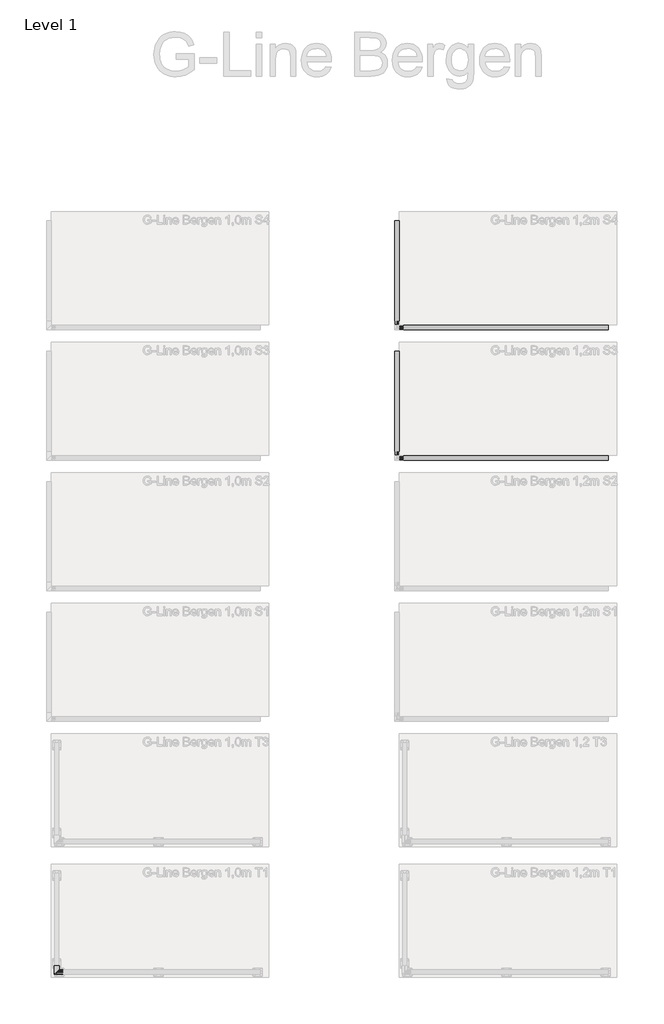
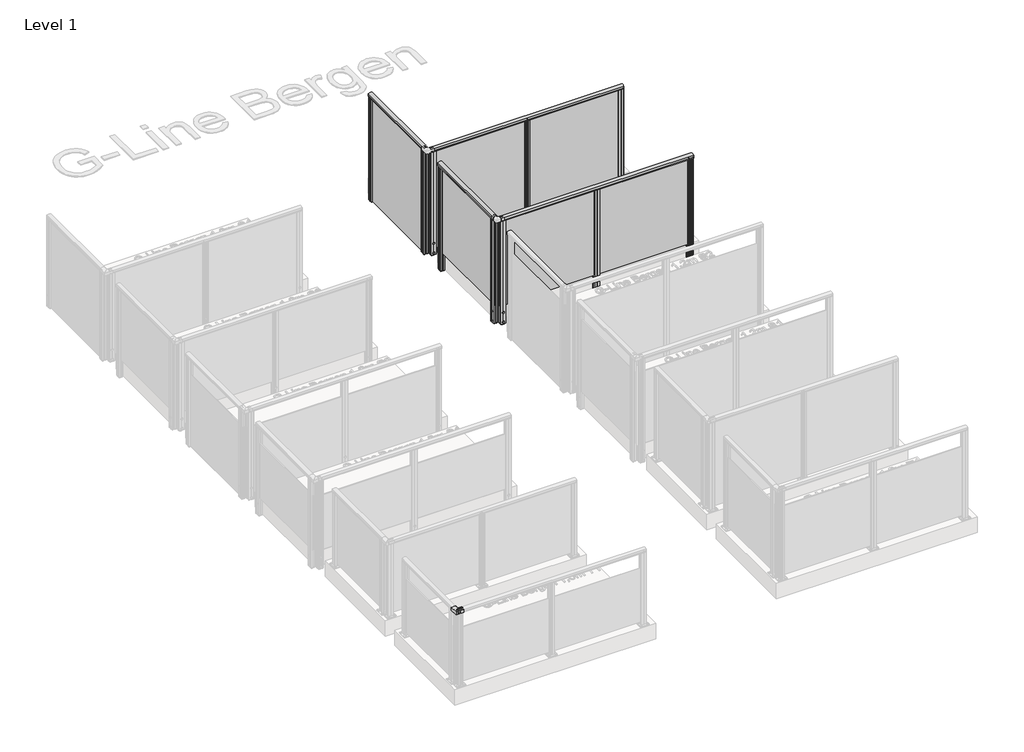
# One storey, part 8 of 14: 4 railings, 1 proxy.
"""IFC4 building model written with IfcOpenShell, lengths in millimetres."""

import ifcopenshell
import ifcopenshell.guid

model = None  # the IFC model being written
_history = None  # IfcOwnerHistory: only IFC2X3 demands one
_inside = {}  # id of a spatial element -> (the spatial element, [elements in it])
_under = {}  # id of a project, library or spatial element -> (it, [spatial elements below it])
_declared = {}  # id of a project -> (the project, [libraries it declares])
_typed = {}  # id of a type object -> (the type object, [elements of that type])
_made_of = {}  # id of a material, layer set ... -> (it, [elements and type objects made of it])


def new_model(schema):
    """Start an empty IFC model of exactly this schema.

    Asked for "IFC4X3", IfcOpenShell would pick the latest addendum, in which some entities
    have other attributes; the version numbers below select the first issue.
    IFC2X3 requires an IfcOwnerHistory on every rooted entity: one is made here for all.
    """
    global model, _history
    if schema == "IFC4X3":
        model = ifcopenshell.file(schema_version=(4, 3, 0, 0))
    else:
        model = ifcopenshell.file(schema=schema)
    _inside.clear()
    _under.clear()
    _declared.clear()
    _typed.clear()
    _made_of.clear()
    _history = None
    if model.schema == "IFC2X3":
        org = make("IfcOrganization", Name="unknown")
        user = make(
            "IfcPersonAndOrganization",
            ThePerson=make("IfcPerson", FamilyName="unknown"),
            TheOrganization=org,
        )
        app = make(
            "IfcApplication",
            ApplicationDeveloper=org,
            Version="unknown",
            ApplicationFullName="unknown",
            ApplicationIdentifier="unknown",
        )
        _history = make(
            "IfcOwnerHistory",
            OwningUser=user,
            OwningApplication=app,
            ChangeAction="ADDED",
            CreationDate=0,
        )
    return model


def make(cls, **values):
    """One entity of the class cls with the attributes given. An attribute that is None is left unset."""
    return model.create_entity(
        cls, **{name: value for name, value in values.items() if value is not None}
    )


def rooted(cls, **values):
    """An entity with a GlobalId (a new one), such as an element, a storey or a relation."""
    return make(cls, GlobalId=ifcopenshell.guid.new(), OwnerHistory=_history, **values)


def si_unit(unit_type, name, prefix=None):
    """IfcSIUnit, for example si_unit("LENGTHUNIT", "METRE", prefix="MILLI")."""
    return make("IfcSIUnit", UnitType=unit_type, Prefix=prefix, Name=name)


def assignment(units):
    """IfcUnitAssignment: the units of a project."""
    return None if units is None else make("IfcUnitAssignment", Units=units)


def point(xyz):
    """IfcCartesianPoint."""
    return None if xyz is None else make("IfcCartesianPoint", Coordinates=xyz)


def direction(xyz):
    """IfcDirection."""
    return None if xyz is None else make("IfcDirection", DirectionRatios=xyz)


def frame(location, z_axis=None, x_axis=None):
    """IfcAxis2Placement3D, a coordinate frame: its origin and axes. An axis left out is left unset."""
    return make(
        "IfcAxis2Placement3D",
        Location=point(location),
        Axis=direction(z_axis),
        RefDirection=direction(x_axis),
    )


def frame_2d(location, x_axis=None):
    """IfcAxis2Placement2D, a coordinate frame in the plane: its origin and x axis."""
    return make(
        "IfcAxis2Placement2D", Location=point(location), RefDirection=direction(x_axis)
    )


def origin():
    """The frame at (0, 0, 0) with its axes left unset."""
    return frame((0.0, 0.0, 0.0))


def place(relative_to, where):
    """IfcLocalPlacement: puts the frame where relative to a parent placement (None: the world)."""
    return make(
        "IfcLocalPlacement", PlacementRelTo=relative_to, RelativePlacement=where
    )


def context(
    kind, dimensions, precision=None, world=None, true_north=None, identifier=None
):
    """IfcGeometricRepresentationContext, for example the 3D "Model" context."""
    return make(
        "IfcGeometricRepresentationContext",
        ContextIdentifier=identifier,
        ContextType=kind,
        CoordinateSpaceDimension=dimensions,
        Precision=precision,
        WorldCoordinateSystem=world,
        TrueNorth=true_north,
    )


def project(units=None, contexts=None):
    """IfcProject with its units and contexts."""
    return rooted(
        "IfcProject",
        Name="project",
        RepresentationContexts=contexts,
        UnitsInContext=assignment(units),
    )


def spatial(cls, under=None, at=None, **own):
    """A site, building, storey or space (cls), placed at a placement, below another one or the project."""
    s = rooted(cls, ObjectPlacement=at, **own)
    if under is not None:
        _under.setdefault(under.id(), (under, []))[1].append(s)
    return s


def polyline(points):
    """IfcPolyline through the points."""
    return make("IfcPolyline", Points=[point(p) for p in points])


def circle_curve(where, radius):
    """IfcCircle in the frame where."""
    return make("IfcCircle", Position=where, Radius=radius)


def ellipse_curve(where, semi_axis1, semi_axis2):
    """IfcEllipse in the frame where."""
    return make(
        "IfcEllipse", Position=where, SemiAxis1=semi_axis1, SemiAxis2=semi_axis2
    )


def trimmed(basis, trim1, trim2, sense, master):
    """IfcTrimmedCurve: the piece of a basis curve between two trims."""
    return make(
        "IfcTrimmedCurve",
        BasisCurve=basis,
        Trim1=trim1,
        Trim2=trim2,
        SenseAgreement=sense,
        MasterRepresentation=master,
    )


def segment(curve, same_sense, transition):
    """IfcCompositeCurveSegment."""
    return make(
        "IfcCompositeCurveSegment",
        Transition=transition,
        SameSense=same_sense,
        ParentCurve=curve,
    )


def composite_curve(segments, self_intersect=None):
    """IfcCompositeCurve: segments joined end to end."""
    return make("IfcCompositeCurve", Segments=segments, SelfIntersect=self_intersect)


def outline(outer, holes=None, kind="AREA"):
    """IfcArbitraryClosedProfileDef: a profile drawn as a closed curve; with holes, ...WithVoids."""
    if holes is None:
        return make("IfcArbitraryClosedProfileDef", ProfileType=kind, OuterCurve=outer)
    return make(
        "IfcArbitraryProfileDefWithVoids",
        ProfileType=kind,
        OuterCurve=outer,
        InnerCurves=holes,
    )


def extrude(swept, where, along, depth):
    """IfcExtrudedAreaSolid: the profile swept, set in the frame where, extruded along a direction by depth."""
    return make(
        "IfcExtrudedAreaSolid",
        SweptArea=swept,
        Position=where,
        ExtrudedDirection=direction(along),
        Depth=depth,
    )


def shape(context_of_items, identifier, shape_type, items):
    """IfcShapeRepresentation: the items that make up one representation, for example the "Body"."""
    return make(
        "IfcShapeRepresentation",
        ContextOfItems=context_of_items,
        RepresentationIdentifier=identifier,
        RepresentationType=shape_type,
        Items=items,
    )


def source(mapping_origin, context_of_items, identifier, shape_type, items):
    """IfcRepresentationMap: a shape defined once, which mapped items show again and again."""
    return make(
        "IfcRepresentationMap",
        MappingOrigin=mapping_origin,
        MappedRepresentation=shape(context_of_items, identifier, shape_type, items),
    )


def transform(
    local_origin,
    x_axis=None,
    y_axis=None,
    z_axis=None,
    scale=None,
    scale2=None,
    scale3=None,
    uniform=True,
):
    """IfcCartesianTransformationOperator3D, or its non-uniform kind. x_axis, y_axis, z_axis: its Axis1, 2, 3."""
    if uniform:
        return make(
            "IfcCartesianTransformationOperator3D",
            Axis1=direction(x_axis),
            Axis2=direction(y_axis),
            LocalOrigin=point(local_origin),
            Scale=scale,
            Axis3=direction(z_axis),
        )
    return make(
        "IfcCartesianTransformationOperator3DnonUniform",
        Axis1=direction(x_axis),
        Axis2=direction(y_axis),
        LocalOrigin=point(local_origin),
        Scale=scale,
        Axis3=direction(z_axis),
        Scale2=scale2,
        Scale3=scale3,
    )


def mapped(mapping_source, mapping_target):
    """IfcMappedItem: shows the shape of a source again, moved by a transform."""
    return make(
        "IfcMappedItem", MappingSource=mapping_source, MappingTarget=mapping_target
    )


def made_of(thing, what):
    """Note that an element or type object is made of a material, layer set ...; save() writes the relation."""
    if what is not None:
        _made_of.setdefault(what.id(), (what, []))[1].append(thing)
    return thing


def element(
    cls,
    number,
    at=None,
    inside=None,
    cuts=None,
    type_object=None,
    material=None,
    context=None,
    identifier="Body",
    shape_type=None,
    held_by="IfcProductDefinitionShape",
    body=None,
    shapes=None,
    **own,
):
    """One element of the class cls, such as IfcWall. Its Tag is "e" and its number.

    at: its placement. inside: the storey or other place that contains it. cuts: it is an
    opening in that element (IfcRelVoidsElement). A single representation is given by context,
    identifier, shape_type and body (its items); several are given by shapes. held_by: the class
    of the entity that holds the representations. save() writes the other relations.
    """
    e = rooted(cls, Tag="e%d" % number, ObjectPlacement=at, **own)
    if body is not None:
        shapes = [shape(context, identifier, shape_type, body)]
    if shapes is not None:
        e.Representation = make(held_by, Representations=shapes)
    if inside is not None:
        _inside.setdefault(inside.id(), (inside, []))[1].append(e)
    if cuts is not None:
        rooted(
            "IfcRelVoidsElement", RelatingBuildingElement=cuts, RelatedOpeningElement=e
        )
    if type_object is not None:
        _typed.setdefault(type_object.id(), (type_object, []))[1].append(e)
    return made_of(e, material)


def aggregate(whole, parts):
    """IfcRelAggregates: a whole, such as a stair, and the parts it consists of."""
    return rooted("IfcRelAggregates", RelatingObject=whole, RelatedObjects=parts)


def save(model, path):
    """Write the relations noted so far, then the file.

    IfcRelAggregates (storeys below a building ...), IfcRelContainedInSpatialStructure (elements
    in a storey), IfcRelDefinesByType, IfcRelAssociatesMaterial and IfcRelDeclares: one each for
    every whole, place, type object, material and project.
    """
    for whole, parts in _under.values():
        aggregate(whole, parts)
    for where, things in _inside.values():
        rooted(
            "IfcRelContainedInSpatialStructure",
            RelatedElements=things,
            RelatingStructure=where,
        )
    for kind, things in _typed.values():
        rooted("IfcRelDefinesByType", RelatedObjects=things, RelatingType=kind)
    for what, things in _made_of.values():
        rooted("IfcRelAssociatesMaterial", RelatedObjects=things, RelatingMaterial=what)
    for by, libraries in _declared.values():
        rooted("IfcRelDeclares", RelatingContext=by, RelatedDefinitions=libraries)
    model.write(path)


def plane_surface(at):
    """IfcPlane: the flat surface through the origin of the frame at, square to its z axis."""
    return make("IfcPlane", Position=at)


def cylinder_surface(at, radius):
    """IfcCylindricalSurface: all points at the distance radius from the z axis of the frame at."""
    return make("IfcCylindricalSurface", Position=at, Radius=radius)


def revolved_surface(curve, axis_point, axis_direction):
    """IfcSurfaceOfRevolution: the curve turned about the line through axis_point along axis_direction."""
    return make(
        "IfcSurfaceOfRevolution",
        SweptCurve=make("IfcArbitraryOpenProfileDef", ProfileType="CURVE", Curve=curve),
        AxisPosition=make("IfcAxis1Placement", Location=point(axis_point), Axis=direction(axis_direction)),
    )


def advanced_brep(points, edges, surfaces, faces):
    """IfcAdvancedBrep: a solid bounded by faces that lie on surfaces and meet in shared edges.

    An edge is (start, end): straight between two places in points (the first is 0);
    or (start, end, curve); or (start, end, curve, False) where it runs against its curve.
    A face is (place in surfaces, loops), or (place, loops, False) where it looks against
    its surface's normal. A loop lists edges by number (the first is 1), with a minus sign
    where the edge is run from its end to its start. The first loop is the outer one.
    """
    corners = [point(p) for p in points]
    vertices = [make("IfcVertexPoint", VertexGeometry=c) for c in corners]
    made = []
    for start, end, *more in edges:
        made.append(
            make(
                "IfcEdgeCurve",
                EdgeStart=vertices[start],
                EdgeEnd=vertices[end],
                EdgeGeometry=more[0] if more else make("IfcPolyline", Points=[corners[start], corners[end]]),
                SameSense=more[1] if len(more) > 1 else True,
            )
        )
    hull = []
    for where, loops, *sense in faces:
        bounds = []
        for j, loop in enumerate(loops):
            ring = [make("IfcOrientedEdge", EdgeElement=made[abs(k) - 1], Orientation=k > 0) for k in loop]
            bounds.append(
                make(
                    "IfcFaceOuterBound" if j == 0 else "IfcFaceBound",
                    Bound=make("IfcEdgeLoop", EdgeList=ring),
                    Orientation=True,
                )
            )
        hull.append(make("IfcAdvancedFace", Bounds=bounds, FaceSurface=surfaces[where], SameSense=sense[0] if sense else True))
    return make("IfcAdvancedBrep", Outer=make("IfcClosedShell", CfsFaces=hull))


def generic_models_029e0633(model_context):
    return source(origin(), model_context, "Body", "AdvancedBrep", [
        advanced_brep(
        [(-26.7441608, 71.9513646, -5.1313999), (26.7547089, 71.9513646, -5.1421029), (26.7547089, 71.9513646, -42.9991934), (25.2598291, 71.9513646, -42.9991934), (25.2598291, 71.9513646, -5.8678927), (-25.2598291, 71.9513646, -5.8631127), (-25.2598291, 71.9513646, -42.9991934), (-26.7441608, 71.9513646, -42.9991934), (26.7547089, -26.754154, -5.1421029), (26.7547089, -26.754154, -42.9991934), (25.2598291, -25.2592742, -42.9991934), (25.2598291, -25.2592742, -5.8678927), (-25.2598291, 25.2603841, -5.8631127), (-25.2598291, 25.2603841, -42.9991934), (-26.7441608, 26.7447157, -42.9991934), (-26.7441608, 26.7447157, -5.1313999), (-71.964886, 26.7447157, -5.1313999), (-71.964886, 26.7447157, -42.9991934), (-71.964886, 25.2603841, -42.9991934), (-71.964886, 25.2603841, -5.8631127), (-71.964886, -25.2592742, -5.8678927), (-71.964886, -25.2592742, -42.9991934), (-71.964886, -26.754154, -42.9991934), (-71.964886, -26.754154, -5.1421029)],
        [
            (0, 1, circle_curve(frame((-0.0048689, 71.9513646, -55.8364469), z_axis=(0.0, 1.0, 0.0), x_axis=(1.0, 0.0, 0.0)), 57.3235687)),
            (1, 2),
            (2, 3),
            (3, 4),
            (4, 5, circle_curve(frame((-0.0048689, 71.9513646, -57.3235684), z_axis=(0.0, -1.0, 0.0), x_axis=(1.0, 0.0, 0.0)), 57.3235687)),
            (5, 6),
            (6, 7),
            (7, 0),
            (1, 8),
            (8, 9),
            (9, 2),
            (3, 10),
            (10, 11),
            (11, 4),
            (11, 12, ellipse_curve(frame((-0.0048689, 0.0054238, -57.3235684), z_axis=(-0.7071067811865475, -0.7071067811865475, 0.0), x_axis=(0.7071067811865474, -0.7071067811865476, 0.0)), 81.0677682, 57.3235687)),
            (12, 5),
            (12, 13),
            (13, 6),
            (7, 14),
            (14, 15),
            (15, 0),
            (16, 17),
            (17, 18),
            (18, 19),
            (19, 20, circle_curve(frame((-71.964886, 0.0054238, -57.3235684), z_axis=(1.0, 0.0, 0.0), x_axis=(0.0, -1.0, 0.0)), 57.3235687)),
            (20, 21),
            (21, 22),
            (22, 23),
            (23, 16, circle_curve(frame((-71.964886, 0.0054238, -55.8364469), z_axis=(-1.0, 0.0, 0.0), x_axis=(0.0, -1.0, 0.0)), 57.3235687)),
            (8, 23),
            (22, 9),
            (10, 21),
            (20, 11),
            (19, 12),
            (18, 13),
            (14, 17),
            (16, 15),
            (15, 8, ellipse_curve(frame((-0.0048689, 0.0054238, -55.8364469), z_axis=(0.7071067811865475, 0.7071067811865475, 0.0), x_axis=(-0.7071067811865474, 0.7071067811865476, 0.0)), 81.0677682, 57.3235687)),
        ],
        [
            plane_surface(frame((0.0, 71.9513646, 0.0), z_axis=(0.0, 1.0, 0.0), x_axis=(0.0, 0.0, 1.0))),
            plane_surface(frame((26.7547089, 71.9513646, -5.1421029), z_axis=(1.0, 0.0, 0.0), x_axis=(0.0, -1.0, 0.0))),
            plane_surface(frame((25.2598291, 71.9513646, -42.9991934), z_axis=(-1.0, 0.0, 0.0), x_axis=(0.0, -1.0, 0.0))),
            revolved_surface(polyline([(57.318699800000005, -57.318144829879174, -57.3235684), (57.318699800000005, 71.9513646, -57.3235684)]), (-0.0048689, 71.9513646, -57.3235684), (0.0, -1.0, 0.0)),
            plane_surface(frame((-25.2598291, 71.9513646, -5.8631127), z_axis=(1.0, 0.0, 0.0), x_axis=(0.0, -1.0, 0.0))),
            plane_surface(frame((-26.7441608, 71.9513646, -42.9991934), z_axis=(-1.0, 0.0, 0.0), x_axis=(0.0, -1.0, 0.0))),
            plane_surface(frame((-71.964886, 0.000555, 0.0), z_axis=(-1.0, 0.0, 0.0), x_axis=(0.0, 0.0, 1.0))),
            plane_surface(frame((26.7547089, -26.754154, -5.1421029), z_axis=(0.0, -1.0, 0.0), x_axis=(-1.0, 0.0, 0.0))),
            plane_surface(frame((25.2598291, -25.2592742, -42.9991934), z_axis=(0.0, 1.0, 0.0), x_axis=(-1.0, 0.0, 0.0))),
            revolved_surface(polyline([(-71.964886, -57.3181449, -57.3235684), (57.31869972987914, -57.3181449, -57.3235684)]), (0.0, 0.0054238, -57.3235684), (-1.0, 0.0, 0.0)),
            plane_surface(frame((-25.2598291, 25.2603841, -5.8631127), z_axis=(0.0, -1.0, 0.0), x_axis=(-1.0, 0.0, 0.0))),
            plane_surface(frame((-26.7441608, 26.7447157, -42.9991934), z_axis=(0.0, 1.0, 0.0), x_axis=(-1.0, 0.0, 0.0))),
            cylinder_surface(frame((-0.0048689, 71.9513646, -55.8364469), z_axis=(0.0, 1.0, 0.0), x_axis=(1.0, 0.0, 0.0)), 57.3235687),
            plane_surface(frame((26.7547089, 71.9513646, -42.9991934), z_axis=(0.0, 0.0, -1.0), x_axis=(0.0, -1.0, 0.0))),
            plane_surface(frame((-25.2598291, 71.9513646, -42.9991934), z_axis=(0.0, 0.0, -1.0), x_axis=(0.0, -1.0, 0.0))),
            cylinder_surface(frame((0.0, 0.0054238, -55.8364469), z_axis=(1.0, 0.0, 0.0), x_axis=(0.0, -1.0, 0.0)), 57.3235687),
        ],
        [
            (0, [[1, 2, 3, 4, 5, 6, 7, 8]]),
            (1, [[-2, 9, 10, 11]]),
            (2, [[-4, 12, 13, 14]]),
            (3, [[-5, -14, 15, 16]]),
            (4, [[-6, -16, 17, 18]]),
            (5, [[-8, 19, 20, 21]]),
            (6, [[22, 23, 24, 25, 26, 27, 28, 29]]),
            (7, [[-10, 30, -28, 31]]),
            (8, [[-13, 32, -26, 33]]),
            (9, [[-15, -33, -25, 34]]),
            (10, [[-17, -34, -24, 35]]),
            (11, [[-20, 36, -22, 37]]),
            (12, [[-1, -21, 38, -9]]),
            (13, [[-3, -11, -31, -27, -32, -12]]),
            (14, [[-7, -18, -35, -23, -36, -19]]),
            (15, [[-38, -37, -29, -30]]),
        ],
    ),
    ])


model = new_model("IFC4")

# Units and contexts
model_context = context("Model", 3, world=origin())
ifc_project = project(units=[si_unit("LENGTHUNIT", "METRE", prefix="MILLI")], contexts=[model_context])

# Site, building, storey
site = spatial("IfcSite", under=ifc_project)
building = spatial("IfcBuilding", under=site)
storey = spatial("IfcBuildingStorey", under=building, Name="Level 1", Elevation=0.0)

# Proxy
placement = place(None, origin())
generic_models_shape = generic_models_029e0633(model_context)
element("IfcBuildingElementProxy", 1, Name="Generic Models", at=placement, inside=storey, context=model_context, shape_type="MappedRepresentation", body=[
    mapped(generic_models_shape, transform((-1797.6545604, -4458.2678672, 1000.0), x_axis=(0.0, -1.0, 0.0), y_axis=(1.0, 0.0, 0.0), z_axis=(0.0, 0.0, 1.0))),
])

# Railings
element("IfcRailing", 2, at=placement, inside=storey, context=model_context, shape_type="SweptSolid", body=[
    extrude(outline(composite_curve([segment(trimmed(circle_curve(frame_2d((1142.6785502, 2111.6300633)), 57.3235687), [point((1194.1390059, 2136.8850236))], [point((1194.1342258, 2086.3653653))], False, "CARTESIAN"), True, "CONTINUOUS"), segment(polyline([(1194.1342258, 2086.3653653), (1167.0235023, 2086.3653653), (1166.4415706, 2086.947297), (1165.8194895, 2086.325216), (1157.2498847, 2086.325216), (1157.2498847, 2088.1301689), (1180.4998829, 2088.1301689), (1180.4998829, 2135.125215), (1157.2498847, 2135.125215), (1157.2498847, 2136.8850236), (1165.9694895, 2136.8850236), (1166.5842725, 2136.2702406), (1167.1990555, 2136.8850236), (1194.1390059, 2136.8850236)]), True, "CONTINUOUS")], self_intersect=False)), frame((0.0, 1485.7155458, 0.0), z_axis=(0.0, 1.0, 0.0), x_axis=(0.0, 0.0, 1.0)), (0.0, 0.0, 1.0), 1195.0),
    extrude(outline(polyline([(2107.9654396, 2680.7155458), (2116.7254396, 2680.7155458), (2116.7254396, 1485.7155458), (2107.9654396, 1485.7155458), (2107.9654396, 2680.7155458)])), frame((0.0, 0.0, 28.0), z_axis=(0.0, 0.0, 1.0), x_axis=(1.0, 0.0, 0.0)), (0.0, 0.0, 1.0), 1152.0),
    extrude(outline(polyline([(2116.6913015, 1485.7171389), (2116.6938788, 1503.2171387), (2107.9338788, 1503.2184288), (2107.9313016, 1485.718429), (2089.8764942, 1485.7210879), (2089.8807823, 1514.8380749), (2090.7592044, 1515.7162383), (2089.840872, 1516.7541062), (2089.845138, 1545.7210931), (2107.9401378, 1545.7184283), (2107.9375606, 1528.2184285), (2116.6975605, 1528.2171384), (2116.7001377, 1545.7171382), (2134.8050888, 1545.7144719), (2134.8008156, 1516.6979964), (2133.812426, 1515.7098979), (2134.8405673, 1514.6814537), (2134.8363014, 1485.7144667), (2116.6913015, 1485.7171389)]), holes=[polyline([(2091.8394239, 1524.5147608), (2091.8394239, 1506.9207991), (2132.8420154, 1506.9207991), (2132.8420154, 1524.5147608), (2091.8394239, 1524.5147608)]), polyline([(2118.6973101, 1543.7147606), (2118.6973101, 1526.5168439), (2132.844843, 1526.5168439), (2132.844843, 1543.7147606), (2118.6973101, 1543.7147606)]), polyline([(2091.8394239, 1543.7187229), (2091.8394239, 1526.5207992), (2105.9398433, 1526.5207992), (2105.9398433, 1543.7187229), (2091.8394239, 1543.7187229)]), polyline([(2118.6915961, 1504.9147611), (2118.6915961, 1487.7168444), (2132.8391289, 1487.7168444), (2132.8391289, 1504.9147611), (2118.6915961, 1504.9147611)]), polyline([(2091.7865964, 1504.9187233), (2091.7865964, 1487.7208066), (2105.9341292, 1487.7208066), (2105.9341292, 1504.9187233), (2091.7865964, 1504.9187233)])]), frame((0.0, 0.0, -200.0), z_axis=(0.0, 0.0, 1.0), x_axis=(1.0, 0.0, 0.0)), (0.0, 0.0, 1.0), 1381.0),
    extrude(outline(polyline([(2116.6913015, 1485.7171389), (2116.6938788, 1503.2171387), (2107.9338788, 1503.2184288), (2107.9313016, 1485.718429), (2089.8764942, 1485.7210879), (2089.8807823, 1514.8380749), (2090.7592044, 1515.7162383), (2089.840872, 1516.7541062), (2089.845138, 1545.7210931), (2107.9401378, 1545.7184283), (2107.9375606, 1528.2184285), (2116.6975605, 1528.2171384), (2116.7001377, 1545.7171382), (2134.8050888, 1545.7144719), (2134.8008156, 1516.6979964), (2133.812426, 1515.7098979), (2134.8405673, 1514.6814537), (2134.8363014, 1485.7144667), (2116.6913015, 1485.7171389)])), frame((0.0, 0.0, -202.0233958), z_axis=(0.0, 0.0, 1.0), x_axis=(1.0, 0.0, 0.0)), (0.0, 0.0, 1.0), 2.0),
    extrude(outline(composite_curve([segment(trimmed(circle_curve(frame_2d((0.0, 12.0)), 12.0), [point((0.0, 23.9999999))], [point((0.0, 0.0))], False, "CARTESIAN"), True, "CONTINUOUS"), segment(trimmed(circle_curve(frame_2d((0.0, 12.0)), 12.0), [point((0.0, 0.0))], [point((0.0, 23.9999999))], False, "CARTESIAN"), True, "CONTINUOUS")], self_intersect=False)), frame((2089.8859745, 1527.7245834, -175.0), z_axis=(-0.9999999188284006, 0.0004029183446997833, 0.0), x_axis=(0.0, 0.0, -1.0)), (0.0, 0.0, 1.0), 3.0757477),
    extrude(outline(composite_curve([segment(trimmed(circle_curve(frame_2d((0.0, 12.0)), 12.0), [point((0.0, 23.9999999))], [point((0.0, 0.0))], False, "CARTESIAN"), True, "CONTINUOUS"), segment(trimmed(circle_curve(frame_2d((0.0, 12.0)), 12.0), [point((0.0, 0.0))], [point((0.0, 23.9999999))], False, "CARTESIAN"), True, "CONTINUOUS")], self_intersect=False)), frame((2089.8859745, 1527.7245834, -50.0), z_axis=(-0.9999999188284006, 0.0004029183446997833, 0.0), x_axis=(0.0, 0.0, -1.0)), (0.0, 0.0, 1.0), 3.0757477),
    extrude(outline(polyline([(2116.6913015, 2620.7171389), (2116.6938788, 2638.2171387), (2107.9338788, 2638.2184288), (2107.9313016, 2620.718429), (2089.8764942, 2620.7210879), (2089.8807823, 2649.8380749), (2090.7592044, 2650.7162383), (2089.840872, 2651.7541062), (2089.845138, 2680.7210931), (2107.9401378, 2680.7184283), (2107.9375606, 2663.2184285), (2116.6975605, 2663.2171384), (2116.7001377, 2680.7171382), (2134.8050888, 2680.7144719), (2134.8008156, 2651.6979964), (2133.812426, 2650.7098979), (2134.8405673, 2649.6814537), (2134.8363014, 2620.7144667), (2116.6913015, 2620.7171389)]), holes=[polyline([(2091.8394239, 2659.5147608), (2091.8394239, 2641.9207991), (2132.8420154, 2641.9207991), (2132.8420154, 2659.5147608), (2091.8394239, 2659.5147608)]), polyline([(2118.6973101, 2678.7147606), (2118.6973101, 2661.5168439), (2132.844843, 2661.5168439), (2132.844843, 2678.7147606), (2118.6973101, 2678.7147606)]), polyline([(2091.8394239, 2678.7187229), (2091.8394239, 2661.5207992), (2105.9398433, 2661.5207992), (2105.9398433, 2678.7187229), (2091.8394239, 2678.7187229)]), polyline([(2118.6915961, 2639.9147611), (2118.6915961, 2622.7168444), (2132.8391289, 2622.7168444), (2132.8391289, 2639.9147611), (2118.6915961, 2639.9147611)]), polyline([(2091.7865964, 2639.9187233), (2091.7865964, 2622.7208066), (2105.9341292, 2622.7208066), (2105.9341292, 2639.9187233), (2091.7865964, 2639.9187233)])]), frame((0.0, 0.0, -200.0), z_axis=(0.0, 0.0, 1.0), x_axis=(1.0, 0.0, 0.0)), (0.0, 0.0, 1.0), 1381.0),
    extrude(outline(polyline([(2116.6913015, 2620.7171389), (2116.6938788, 2638.2171387), (2107.9338788, 2638.2184288), (2107.9313016, 2620.718429), (2089.8764942, 2620.7210879), (2089.8807823, 2649.8380749), (2090.7592044, 2650.7162383), (2089.840872, 2651.7541062), (2089.845138, 2680.7210931), (2107.9401378, 2680.7184283), (2107.9375606, 2663.2184285), (2116.6975605, 2663.2171384), (2116.7001377, 2680.7171382), (2134.8050888, 2680.7144719), (2134.8008156, 2651.6979964), (2133.812426, 2650.7098979), (2134.8405673, 2649.6814537), (2134.8363014, 2620.7144667), (2116.6913015, 2620.7171389)])), frame((0.0, 0.0, -202.0233958), z_axis=(0.0, 0.0, 1.0), x_axis=(1.0, 0.0, 0.0)), (0.0, 0.0, 1.0), 2.0),
    extrude(outline(composite_curve([segment(trimmed(circle_curve(frame_2d((0.0, 12.0)), 12.0), [point((0.0, 23.9999999))], [point((0.0, 0.0))], False, "CARTESIAN"), True, "CONTINUOUS"), segment(trimmed(circle_curve(frame_2d((0.0, 12.0)), 12.0), [point((0.0, 0.0))], [point((0.0, 23.9999999))], False, "CARTESIAN"), True, "CONTINUOUS")], self_intersect=False)), frame((2089.8859745, 2662.7245834, -175.0), z_axis=(-0.9999999188284006, 0.0004029183446997833, 0.0), x_axis=(0.0, 0.0, -1.0)), (0.0, 0.0, 1.0), 3.0757477),
    extrude(outline(composite_curve([segment(trimmed(circle_curve(frame_2d((0.0, 12.0)), 12.0), [point((0.0, 23.9999999))], [point((0.0, 0.0))], False, "CARTESIAN"), True, "CONTINUOUS"), segment(trimmed(circle_curve(frame_2d((0.0, 12.0)), 12.0), [point((0.0, 0.0))], [point((0.0, 23.9999999))], False, "CARTESIAN"), True, "CONTINUOUS")], self_intersect=False)), frame((2089.8859745, 2662.7245834, -50.0), z_axis=(-0.9999999188284006, 0.0004029183446997833, 0.0), x_axis=(0.0, 0.0, -1.0)), (0.0, 0.0, 1.0), 3.0757477),
])
element("IfcRailing", 3, at=placement, inside=storey, context=model_context, shape_type="SweptSolid", body=[
    extrude(outline(composite_curve([segment(polyline([(1475.2551298, 1194.1390059), (1475.2551298, 1167.1990555), (1474.6403468, 1166.5842725), (1475.2551298, 1165.9694895), (1475.2551298, 1157.2498847), (1473.4953213, 1157.2498847), (1473.4953213, 1180.4998829), (1426.5002751, 1180.4998829), (1426.5002751, 1157.2498847), (1424.6953222, 1157.2498847), (1424.6953222, 1165.8194895), (1425.3174033, 1166.4415706), (1424.7354716, 1167.0235023), (1424.7354716, 1194.1342258)]), True, "CONTINUOUS"), segment(trimmed(circle_curve(frame_2d((1450.0001695, 1142.6785502)), 57.3235687), [point((1424.7354716, 1194.1342258))], [point((1475.2551298, 1194.1390059))], False, "CARTESIAN"), True, "CONTINUOUS")], self_intersect=False)), frame((2147.3454396, 0.0, 0.0), z_axis=(1.0, 0.0, 0.0), x_axis=(0.0, 1.0, 0.0)), (0.0, 0.0, 1.0), 2395.0),
    extrude(outline(polyline([(2147.3454396, 1446.3355458), (2147.3454396, 1455.0955458), (4542.3454396, 1455.0955458), (4542.3454396, 1446.3355458), (2147.3454396, 1446.3355458)])), frame((0.0, 0.0, 28.0), z_axis=(0.0, 0.0, 1.0), x_axis=(1.0, 0.0, 0.0)), (0.0, 0.0, 1.0), 1152.0),
    extrude(outline(polyline([(3374.8438465, 1455.0614078), (3357.3438467, 1455.063985), (3357.3425566, 1446.3039851), (3374.8425564, 1446.3014079), (3374.8398975, 1428.2466005), (3345.7229105, 1428.2508885), (3344.8447471, 1429.1293106), (3343.8068792, 1428.2109783), (3314.8398922, 1428.2152442), (3314.8425571, 1446.310244), (3332.3425569, 1446.3076668), (3332.343847, 1455.0676667), (3314.8438472, 1455.0702439), (3314.8465135, 1473.175195), (3343.862989, 1473.1709218), (3344.8510875, 1472.1825322), (3345.8795317, 1473.2106735), (3374.8465187, 1473.2064076), (3374.8438465, 1455.0614078)]), holes=[polyline([(3336.0462246, 1430.2095302), (3353.6401863, 1430.2095302), (3353.6401863, 1471.2121217), (3336.0462246, 1471.2121217), (3336.0462246, 1430.2095302)]), polyline([(3316.8462248, 1457.0674163), (3334.0441415, 1457.0674163), (3334.0441415, 1471.2149492), (3316.8462248, 1471.2149492), (3316.8462248, 1457.0674163)]), polyline([(3316.8422625, 1430.2095302), (3334.0401862, 1430.2095302), (3334.0401862, 1444.3099495), (3316.8422625, 1444.3099495), (3316.8422625, 1430.2095302)]), polyline([(3355.6462243, 1457.0617023), (3372.844141, 1457.0617023), (3372.844141, 1471.2092352), (3355.6462243, 1471.2092352), (3355.6462243, 1457.0617023)]), polyline([(3355.6422621, 1430.1567026), (3372.8401788, 1430.1567026), (3372.8401788, 1444.3042355), (3355.6422621, 1444.3042355), (3355.6422621, 1430.1567026)])]), frame((0.0, 0.0, -200.0), z_axis=(0.0, 0.0, 1.0), x_axis=(1.0, 0.0, 0.0)), (0.0, 0.0, 1.0), 1381.0),
    extrude(outline(polyline([(3374.8438465, 1455.0614078), (3357.3438467, 1455.063985), (3357.3425566, 1446.3039851), (3374.8425564, 1446.3014079), (3374.8398975, 1428.2466005), (3345.7229105, 1428.2508885), (3344.8447471, 1429.1293106), (3343.8068792, 1428.2109783), (3314.8398922, 1428.2152442), (3314.8425571, 1446.310244), (3332.3425569, 1446.3076668), (3332.343847, 1455.0676667), (3314.8438472, 1455.0702439), (3314.8465135, 1473.175195), (3343.862989, 1473.1709218), (3344.8510875, 1472.1825322), (3345.8795317, 1473.2106735), (3374.8465187, 1473.2064076), (3374.8438465, 1455.0614078)])), frame((0.0, 0.0, -202.0233958), z_axis=(0.0, 0.0, 1.0), x_axis=(1.0, 0.0, 0.0)), (0.0, 0.0, 1.0), 2.0),
    extrude(outline(composite_curve([segment(trimmed(circle_curve(frame_2d((0.0, 12.0)), 12.0), [point((0.0, 24.0))], [point((0.0, 0.0))], False, "CARTESIAN"), True, "CONTINUOUS"), segment(trimmed(circle_curve(frame_2d((0.0, 12.0)), 12.0), [point((0.0, 0.0))], [point((0.0, 24.0))], False, "CARTESIAN"), True, "CONTINUOUS")], self_intersect=False)), frame((3332.8351627, 1425.1803333, -175.0), z_axis=(0.00040291834662179495, 0.9999999188283998, 0.0), x_axis=(0.0, 0.0, 1.0)), (0.0, 0.0, 1.0), 3.0757477),
    extrude(outline(composite_curve([segment(trimmed(circle_curve(frame_2d((0.0, 12.0)), 12.0), [point((0.0, 24.0))], [point((0.0, 0.0))], False, "CARTESIAN"), True, "CONTINUOUS"), segment(trimmed(circle_curve(frame_2d((0.0, 12.0)), 12.0), [point((0.0, 0.0))], [point((0.0, 24.0))], False, "CARTESIAN"), True, "CONTINUOUS")], self_intersect=False)), frame((3332.8351627, 1425.1803333, -50.0), z_axis=(0.00040291834662179495, 0.9999999188283998, 0.0), x_axis=(0.0, 0.0, 1.0)), (0.0, 0.0, 1.0), 3.0757477),
    extrude(outline(polyline([(4542.3438465, 1455.0614078), (4524.8438467, 1455.063985), (4524.8425566, 1446.3039851), (4542.3425564, 1446.3014079), (4542.3398975, 1428.2466005), (4513.2229105, 1428.2508885), (4512.3447471, 1429.1293106), (4511.3068792, 1428.2109783), (4482.3398922, 1428.2152442), (4482.3425571, 1446.310244), (4499.8425569, 1446.3076668), (4499.843847, 1455.0676667), (4482.3438472, 1455.0702439), (4482.3465135, 1473.175195), (4511.362989, 1473.1709218), (4512.3510875, 1472.1825322), (4513.3795317, 1473.2106735), (4542.3465187, 1473.2064076), (4542.3438465, 1455.0614078)]), holes=[polyline([(4503.5462246, 1430.2095302), (4521.1401863, 1430.2095302), (4521.1401863, 1471.2121217), (4503.5462246, 1471.2121217), (4503.5462246, 1430.2095302)]), polyline([(4484.3462248, 1457.0674163), (4501.5441415, 1457.0674163), (4501.5441415, 1471.2149492), (4484.3462248, 1471.2149492), (4484.3462248, 1457.0674163)]), polyline([(4484.3422625, 1430.2095302), (4501.5401862, 1430.2095302), (4501.5401862, 1444.3099495), (4484.3422625, 1444.3099495), (4484.3422625, 1430.2095302)]), polyline([(4523.1462243, 1457.0617023), (4540.344141, 1457.0617023), (4540.344141, 1471.2092352), (4523.1462243, 1471.2092352), (4523.1462243, 1457.0617023)]), polyline([(4523.1422621, 1430.1567026), (4540.3401788, 1430.1567026), (4540.3401788, 1444.3042355), (4523.1422621, 1444.3042355), (4523.1422621, 1430.1567026)])]), frame((0.0, 0.0, -200.0), z_axis=(0.0, 0.0, 1.0), x_axis=(1.0, 0.0, 0.0)), (0.0, 0.0, 1.0), 1381.0),
    extrude(outline(polyline([(4542.3438465, 1455.0614078), (4524.8438467, 1455.063985), (4524.8425566, 1446.3039851), (4542.3425564, 1446.3014079), (4542.3398975, 1428.2466005), (4513.2229105, 1428.2508885), (4512.3447471, 1429.1293106), (4511.3068792, 1428.2109783), (4482.3398922, 1428.2152442), (4482.3425571, 1446.310244), (4499.8425569, 1446.3076668), (4499.843847, 1455.0676667), (4482.3438472, 1455.0702439), (4482.3465135, 1473.175195), (4511.362989, 1473.1709218), (4512.3510875, 1472.1825322), (4513.3795317, 1473.2106735), (4542.3465187, 1473.2064076), (4542.3438465, 1455.0614078)])), frame((0.0, 0.0, -202.0233958), z_axis=(0.0, 0.0, 1.0), x_axis=(1.0, 0.0, 0.0)), (0.0, 0.0, 1.0), 2.0),
    extrude(outline(composite_curve([segment(trimmed(circle_curve(frame_2d((0.0, 12.0)), 12.0), [point((0.0, 24.0))], [point((0.0, 0.0))], False, "CARTESIAN"), True, "CONTINUOUS"), segment(trimmed(circle_curve(frame_2d((0.0, 12.0)), 12.0), [point((0.0, 0.0))], [point((0.0, 24.0))], False, "CARTESIAN"), True, "CONTINUOUS")], self_intersect=False)), frame((4500.3351627, 1425.1803333, -175.0), z_axis=(0.00040291834662179495, 0.9999999188283998, 0.0), x_axis=(0.0, 0.0, 1.0)), (0.0, 0.0, 1.0), 3.0757477),
    extrude(outline(composite_curve([segment(trimmed(circle_curve(frame_2d((0.0, 12.0)), 12.0), [point((0.0, 24.0))], [point((0.0, 0.0))], False, "CARTESIAN"), True, "CONTINUOUS"), segment(trimmed(circle_curve(frame_2d((0.0, 12.0)), 12.0), [point((0.0, 0.0))], [point((0.0, 24.0))], False, "CARTESIAN"), True, "CONTINUOUS")], self_intersect=False)), frame((4500.3351627, 1425.1803333, -50.0), z_axis=(0.00040291834662179495, 0.9999999188283998, 0.0), x_axis=(0.0, 0.0, 1.0)), (0.0, 0.0, 1.0), 3.0757477),
    extrude(outline(polyline([(2207.3438465, 1455.0614078), (2189.8438467, 1455.063985), (2189.8425566, 1446.3039851), (2207.3425564, 1446.3014079), (2207.3398975, 1428.2466005), (2178.2229105, 1428.2508885), (2177.3447471, 1429.1293106), (2176.3068792, 1428.2109783), (2147.3398922, 1428.2152442), (2147.3425571, 1446.310244), (2164.8425569, 1446.3076668), (2164.843847, 1455.0676667), (2147.3438472, 1455.0702439), (2147.3465135, 1473.175195), (2176.362989, 1473.1709218), (2177.3510875, 1472.1825322), (2178.3795317, 1473.2106735), (2207.3465187, 1473.2064076), (2207.3438465, 1455.0614078)]), holes=[polyline([(2168.5462246, 1430.2095302), (2186.1401863, 1430.2095302), (2186.1401863, 1471.2121217), (2168.5462246, 1471.2121217), (2168.5462246, 1430.2095302)]), polyline([(2149.3462248, 1457.0674163), (2166.5441415, 1457.0674163), (2166.5441415, 1471.2149492), (2149.3462248, 1471.2149492), (2149.3462248, 1457.0674163)]), polyline([(2149.3422625, 1430.2095302), (2166.5401862, 1430.2095302), (2166.5401862, 1444.3099495), (2149.3422625, 1444.3099495), (2149.3422625, 1430.2095302)]), polyline([(2188.1462243, 1457.0617023), (2205.344141, 1457.0617023), (2205.344141, 1471.2092352), (2188.1462243, 1471.2092352), (2188.1462243, 1457.0617023)]), polyline([(2188.1422621, 1430.1567026), (2205.3401788, 1430.1567026), (2205.3401788, 1444.3042355), (2188.1422621, 1444.3042355), (2188.1422621, 1430.1567026)])]), frame((0.0, 0.0, -200.0), z_axis=(0.0, 0.0, 1.0), x_axis=(1.0, 0.0, 0.0)), (0.0, 0.0, 1.0), 1381.0),
    extrude(outline(polyline([(2207.3438465, 1455.0614078), (2189.8438467, 1455.063985), (2189.8425566, 1446.3039851), (2207.3425564, 1446.3014079), (2207.3398975, 1428.2466005), (2178.2229105, 1428.2508885), (2177.3447471, 1429.1293106), (2176.3068792, 1428.2109783), (2147.3398922, 1428.2152442), (2147.3425571, 1446.310244), (2164.8425569, 1446.3076668), (2164.843847, 1455.0676667), (2147.3438472, 1455.0702439), (2147.3465135, 1473.175195), (2176.362989, 1473.1709218), (2177.3510875, 1472.1825322), (2178.3795317, 1473.2106735), (2207.3465187, 1473.2064076), (2207.3438465, 1455.0614078)])), frame((0.0, 0.0, -202.0233958), z_axis=(0.0, 0.0, 1.0), x_axis=(1.0, 0.0, 0.0)), (0.0, 0.0, 1.0), 2.0),
    extrude(outline(composite_curve([segment(trimmed(circle_curve(frame_2d((0.0, 12.0)), 12.0), [point((0.0, 24.0))], [point((0.0, 0.0))], False, "CARTESIAN"), True, "CONTINUOUS"), segment(trimmed(circle_curve(frame_2d((0.0, 12.0)), 12.0), [point((0.0, 0.0))], [point((0.0, 24.0))], False, "CARTESIAN"), True, "CONTINUOUS")], self_intersect=False)), frame((2165.3351627, 1425.1803333, -175.0), z_axis=(0.00040291834662179495, 0.9999999188283998, 0.0), x_axis=(0.0, 0.0, 1.0)), (0.0, 0.0, 1.0), 3.0757477),
    extrude(outline(composite_curve([segment(trimmed(circle_curve(frame_2d((0.0, 12.0)), 12.0), [point((0.0, 24.0))], [point((0.0, 0.0))], False, "CARTESIAN"), True, "CONTINUOUS"), segment(trimmed(circle_curve(frame_2d((0.0, 12.0)), 12.0), [point((0.0, 0.0))], [point((0.0, 24.0))], False, "CARTESIAN"), True, "CONTINUOUS")], self_intersect=False)), frame((2165.3351627, 1425.1803333, -50.0), z_axis=(0.00040291834662179495, 0.9999999188283998, 0.0), x_axis=(0.0, 0.0, 1.0)), (0.0, 0.0, 1.0), 3.0757477),
])
element("IfcRailing", 4, at=placement, inside=storey, context=model_context, shape_type="SweptSolid", body=[
    extrude(outline(composite_curve([segment(trimmed(circle_curve(frame_2d((1142.6785502, 2111.6300633)), 57.3235687), [point((1194.1390059, 2136.8850236))], [point((1194.1342258, 2086.3653653))], False, "CARTESIAN"), True, "CONTINUOUS"), segment(polyline([(1194.1342258, 2086.3653653), (1167.0235023, 2086.3653653), (1166.4415706, 2086.947297), (1165.8194895, 2086.325216), (1157.2498847, 2086.325216), (1157.2498847, 2088.1301689), (1180.4998829, 2088.1301689), (1180.4998829, 2135.125215), (1157.2498847, 2135.125215), (1157.2498847, 2136.8850236), (1165.9694895, 2136.8850236), (1166.5842725, 2136.2702406), (1167.1990555, 2136.8850236), (1194.1390059, 2136.8850236)]), True, "CONTINUOUS")], self_intersect=False)), frame((0.0, 2985.7155458, 0.0), z_axis=(0.0, 1.0, 0.0), x_axis=(0.0, 0.0, 1.0)), (0.0, 0.0, 1.0), 1195.0),
    extrude(outline(polyline([(2111.4498225, 4180.7155458), (2113.3135054, 4180.7155458), (2113.3135054, 2985.7155458), (2111.4498225, 2985.7155458), (2111.4498225, 4180.7155458)])), frame((0.0, 0.0, -200.0), z_axis=(0.0, 0.0, 1.0), x_axis=(1.0, 0.0, 0.0)), (0.0, 0.0, 1.0), 1.1703418),
    extrude(outline(polyline([(2107.9654396, 4180.7155458), (2116.7254396, 4180.7155458), (2116.7254396, 2985.7155458), (2107.9654396, 2985.7155458), (2107.9654396, 4180.7155458)])), frame((0.0, 0.0, -200.0), z_axis=(0.0, 0.0, 1.0), x_axis=(1.0, 0.0, 0.0)), (0.0, 0.0, 1.0), 1380.0),
    extrude(outline(polyline([(2116.6913015, 2985.7171389), (2116.6938788, 3003.2171387), (2107.9338788, 3003.2184288), (2107.9313016, 2985.718429), (2089.8764942, 2985.7210879), (2089.8807823, 3014.8380749), (2090.7592044, 3015.7162383), (2089.840872, 3016.7541062), (2089.845138, 3045.7210931), (2107.9401378, 3045.7184283), (2107.9375606, 3028.2184285), (2116.6975605, 3028.2171384), (2116.7001377, 3045.7171382), (2134.8050888, 3045.7144719), (2134.8008156, 3016.6979964), (2133.812426, 3015.7098979), (2134.8405673, 3014.6814537), (2134.8363014, 2985.7144667), (2116.6913015, 2985.7171389)]), holes=[polyline([(2091.8394239, 3024.5147608), (2091.8394239, 3006.9207991), (2132.8420154, 3006.9207991), (2132.8420154, 3024.5147608), (2091.8394239, 3024.5147608)]), polyline([(2118.6973101, 3043.7147606), (2118.6973101, 3026.5168439), (2132.844843, 3026.5168439), (2132.844843, 3043.7147606), (2118.6973101, 3043.7147606)]), polyline([(2091.8394239, 3043.7187229), (2091.8394239, 3026.5207992), (2105.9398433, 3026.5207992), (2105.9398433, 3043.7187229), (2091.8394239, 3043.7187229)]), polyline([(2118.6915961, 3004.9147611), (2118.6915961, 2987.7168444), (2132.8391289, 2987.7168444), (2132.8391289, 3004.9147611), (2118.6915961, 3004.9147611)]), polyline([(2091.7865964, 3004.9187233), (2091.7865964, 2987.7208066), (2105.9341292, 2987.7208066), (2105.9341292, 3004.9187233), (2091.7865964, 3004.9187233)])]), frame((0.0, 0.0, -200.0), z_axis=(0.0, 0.0, 1.0), x_axis=(1.0, 0.0, 0.0)), (0.0, 0.0, 1.0), 1381.0),
    extrude(outline(polyline([(2116.6913015, 2985.7171389), (2116.6938788, 3003.2171387), (2107.9338788, 3003.2184288), (2107.9313016, 2985.718429), (2089.8764942, 2985.7210879), (2089.8807823, 3014.8380749), (2090.7592044, 3015.7162383), (2089.840872, 3016.7541062), (2089.845138, 3045.7210931), (2107.9401378, 3045.7184283), (2107.9375606, 3028.2184285), (2116.6975605, 3028.2171384), (2116.7001377, 3045.7171382), (2134.8050888, 3045.7144719), (2134.8008156, 3016.6979964), (2133.812426, 3015.7098979), (2134.8405673, 3014.6814537), (2134.8363014, 2985.7144667), (2116.6913015, 2985.7171389)])), frame((0.0, 0.0, -202.0233958), z_axis=(0.0, 0.0, 1.0), x_axis=(1.0, 0.0, 0.0)), (0.0, 0.0, 1.0), 2.0),
    extrude(outline(composite_curve([segment(trimmed(circle_curve(frame_2d((0.0, 12.0)), 12.0), [point((0.0, 23.9999999))], [point((0.0, 0.0))], False, "CARTESIAN"), True, "CONTINUOUS"), segment(trimmed(circle_curve(frame_2d((0.0, 12.0)), 12.0), [point((0.0, 0.0))], [point((0.0, 23.9999999))], False, "CARTESIAN"), True, "CONTINUOUS")], self_intersect=False)), frame((2089.8859745, 3027.7245834, -175.0), z_axis=(-0.9999999188284006, 0.0004029183446997833, 0.0), x_axis=(0.0, 0.0, -1.0)), (0.0, 0.0, 1.0), 3.0757477),
    extrude(outline(composite_curve([segment(trimmed(circle_curve(frame_2d((0.0, 12.0)), 12.0), [point((0.0, 23.9999999))], [point((0.0, 0.0))], False, "CARTESIAN"), True, "CONTINUOUS"), segment(trimmed(circle_curve(frame_2d((0.0, 12.0)), 12.0), [point((0.0, 0.0))], [point((0.0, 23.9999999))], False, "CARTESIAN"), True, "CONTINUOUS")], self_intersect=False)), frame((2089.8859745, 3027.7245834, -50.0), z_axis=(-0.9999999188284006, 0.0004029183446997833, 0.0), x_axis=(0.0, 0.0, -1.0)), (0.0, 0.0, 1.0), 3.0757477),
    extrude(outline(polyline([(2116.6913015, 4120.7171389), (2116.6938788, 4138.2171387), (2107.9338788, 4138.2184288), (2107.9313016, 4120.718429), (2089.8764942, 4120.7210879), (2089.8807823, 4149.8380749), (2090.7592044, 4150.7162383), (2089.840872, 4151.7541062), (2089.845138, 4180.7210931), (2107.9401378, 4180.7184283), (2107.9375606, 4163.2184285), (2116.6975605, 4163.2171384), (2116.7001377, 4180.7171382), (2134.8050888, 4180.7144719), (2134.8008156, 4151.6979964), (2133.812426, 4150.7098979), (2134.8405673, 4149.6814537), (2134.8363014, 4120.7144667), (2116.6913015, 4120.7171389)]), holes=[polyline([(2091.8394239, 4159.5147608), (2091.8394239, 4141.9207991), (2132.8420154, 4141.9207991), (2132.8420154, 4159.5147608), (2091.8394239, 4159.5147608)]), polyline([(2118.6973101, 4178.7147606), (2118.6973101, 4161.5168439), (2132.844843, 4161.5168439), (2132.844843, 4178.7147606), (2118.6973101, 4178.7147606)]), polyline([(2091.8394239, 4178.7187229), (2091.8394239, 4161.5207992), (2105.9398433, 4161.5207992), (2105.9398433, 4178.7187229), (2091.8394239, 4178.7187229)]), polyline([(2118.6915961, 4139.9147611), (2118.6915961, 4122.7168444), (2132.8391289, 4122.7168444), (2132.8391289, 4139.9147611), (2118.6915961, 4139.9147611)]), polyline([(2091.7865964, 4139.9187233), (2091.7865964, 4122.7208066), (2105.9341292, 4122.7208066), (2105.9341292, 4139.9187233), (2091.7865964, 4139.9187233)])]), frame((0.0, 0.0, -200.0), z_axis=(0.0, 0.0, 1.0), x_axis=(1.0, 0.0, 0.0)), (0.0, 0.0, 1.0), 1381.0),
    extrude(outline(polyline([(2116.6913015, 4120.7171389), (2116.6938788, 4138.2171387), (2107.9338788, 4138.2184288), (2107.9313016, 4120.718429), (2089.8764942, 4120.7210879), (2089.8807823, 4149.8380749), (2090.7592044, 4150.7162383), (2089.840872, 4151.7541062), (2089.845138, 4180.7210931), (2107.9401378, 4180.7184283), (2107.9375606, 4163.2184285), (2116.6975605, 4163.2171384), (2116.7001377, 4180.7171382), (2134.8050888, 4180.7144719), (2134.8008156, 4151.6979964), (2133.812426, 4150.7098979), (2134.8405673, 4149.6814537), (2134.8363014, 4120.7144667), (2116.6913015, 4120.7171389)])), frame((0.0, 0.0, -202.0233958), z_axis=(0.0, 0.0, 1.0), x_axis=(1.0, 0.0, 0.0)), (0.0, 0.0, 1.0), 2.0),
    extrude(outline(composite_curve([segment(trimmed(circle_curve(frame_2d((0.0, 12.0)), 12.0), [point((0.0, 23.9999999))], [point((0.0, 0.0))], False, "CARTESIAN"), True, "CONTINUOUS"), segment(trimmed(circle_curve(frame_2d((0.0, 12.0)), 12.0), [point((0.0, 0.0))], [point((0.0, 23.9999999))], False, "CARTESIAN"), True, "CONTINUOUS")], self_intersect=False)), frame((2089.8859745, 4162.7245834, -175.0), z_axis=(-0.9999999188284006, 0.0004029183446997833, 0.0), x_axis=(0.0, 0.0, -1.0)), (0.0, 0.0, 1.0), 3.0757477),
    extrude(outline(composite_curve([segment(trimmed(circle_curve(frame_2d((0.0, 12.0)), 12.0), [point((0.0, 23.9999999))], [point((0.0, 0.0))], False, "CARTESIAN"), True, "CONTINUOUS"), segment(trimmed(circle_curve(frame_2d((0.0, 12.0)), 12.0), [point((0.0, 0.0))], [point((0.0, 23.9999999))], False, "CARTESIAN"), True, "CONTINUOUS")], self_intersect=False)), frame((2089.8859745, 4162.7245834, -50.0), z_axis=(-0.9999999188284006, 0.0004029183446997833, 0.0), x_axis=(0.0, 0.0, -1.0)), (0.0, 0.0, 1.0), 3.0757477),
])
element("IfcRailing", 5, at=placement, inside=storey, context=model_context, shape_type="SweptSolid", body=[
    extrude(outline(composite_curve([segment(polyline([(2975.2551298, 1194.1390059), (2975.2551298, 1167.1990555), (2974.6403468, 1166.5842725), (2975.2551298, 1165.9694895), (2975.2551298, 1157.2498847), (2973.4953213, 1157.2498847), (2973.4953213, 1180.4998829), (2926.5002751, 1180.4998829), (2926.5002751, 1157.2498847), (2924.6953222, 1157.2498847), (2924.6953222, 1165.8194895), (2925.3174033, 1166.4415706), (2924.7354716, 1167.0235023), (2924.7354716, 1194.1342258)]), True, "CONTINUOUS"), segment(trimmed(circle_curve(frame_2d((2950.0001695, 1142.6785502)), 57.3235687), [point((2924.7354716, 1194.1342258))], [point((2975.2551298, 1194.1390059))], False, "CARTESIAN"), True, "CONTINUOUS")], self_intersect=False)), frame((2147.3454396, 0.0, 0.0), z_axis=(1.0, 0.0, 0.0), x_axis=(0.0, 1.0, 0.0)), (0.0, 0.0, 1.0), 2395.0),
    extrude(outline(polyline([(2147.3454396, 2949.8199287), (2147.3454396, 2951.6836116), (4542.3454396, 2951.6836116), (4542.3454396, 2949.8199287), (2147.3454396, 2949.8199287)])), frame((0.0, 0.0, -200.0), z_axis=(0.0, 0.0, 1.0), x_axis=(1.0, 0.0, 0.0)), (0.0, 0.0, 1.0), 1.1703418),
    extrude(outline(polyline([(2147.3454396, 2946.3355458), (2147.3454396, 2955.0955458), (4542.3454396, 2955.0955458), (4542.3454396, 2946.3355458), (2147.3454396, 2946.3355458)])), frame((0.0, 0.0, -200.0), z_axis=(0.0, 0.0, 1.0), x_axis=(1.0, 0.0, 0.0)), (0.0, 0.0, 1.0), 1380.0),
    extrude(outline(polyline([(3374.8438465, 2955.0614078), (3357.3438467, 2955.063985), (3357.3425566, 2946.3039851), (3374.8425564, 2946.3014079), (3374.8398975, 2928.2466005), (3345.7229105, 2928.2508885), (3344.8447471, 2929.1293106), (3343.8068792, 2928.2109783), (3314.8398922, 2928.2152442), (3314.8425571, 2946.310244), (3332.3425569, 2946.3076668), (3332.343847, 2955.0676667), (3314.8438472, 2955.0702439), (3314.8465135, 2973.175195), (3343.862989, 2973.1709218), (3344.8510875, 2972.1825322), (3345.8795317, 2973.2106735), (3374.8465187, 2973.2064076), (3374.8438465, 2955.0614078)]), holes=[polyline([(3336.0462246, 2930.2095302), (3353.6401863, 2930.2095302), (3353.6401863, 2971.2121217), (3336.0462246, 2971.2121217), (3336.0462246, 2930.2095302)]), polyline([(3316.8462248, 2957.0674163), (3334.0441415, 2957.0674163), (3334.0441415, 2971.2149492), (3316.8462248, 2971.2149492), (3316.8462248, 2957.0674163)]), polyline([(3316.8422625, 2930.2095302), (3334.0401862, 2930.2095302), (3334.0401862, 2944.3099495), (3316.8422625, 2944.3099495), (3316.8422625, 2930.2095302)]), polyline([(3355.6462243, 2957.0617023), (3372.844141, 2957.0617023), (3372.844141, 2971.2092352), (3355.6462243, 2971.2092352), (3355.6462243, 2957.0617023)]), polyline([(3355.6422621, 2930.1567026), (3372.8401788, 2930.1567026), (3372.8401788, 2944.3042355), (3355.6422621, 2944.3042355), (3355.6422621, 2930.1567026)])]), frame((0.0, 0.0, -200.0), z_axis=(0.0, 0.0, 1.0), x_axis=(1.0, 0.0, 0.0)), (0.0, 0.0, 1.0), 1381.0),
    extrude(outline(polyline([(3374.8438465, 2955.0614078), (3357.3438467, 2955.063985), (3357.3425566, 2946.3039851), (3374.8425564, 2946.3014079), (3374.8398975, 2928.2466005), (3345.7229105, 2928.2508885), (3344.8447471, 2929.1293106), (3343.8068792, 2928.2109783), (3314.8398922, 2928.2152442), (3314.8425571, 2946.310244), (3332.3425569, 2946.3076668), (3332.343847, 2955.0676667), (3314.8438472, 2955.0702439), (3314.8465135, 2973.175195), (3343.862989, 2973.1709218), (3344.8510875, 2972.1825322), (3345.8795317, 2973.2106735), (3374.8465187, 2973.2064076), (3374.8438465, 2955.0614078)])), frame((0.0, 0.0, -202.0233958), z_axis=(0.0, 0.0, 1.0), x_axis=(1.0, 0.0, 0.0)), (0.0, 0.0, 1.0), 2.0),
    extrude(outline(composite_curve([segment(trimmed(circle_curve(frame_2d((0.0, 12.0)), 12.0), [point((0.0, 24.0))], [point((0.0, 0.0))], False, "CARTESIAN"), True, "CONTINUOUS"), segment(trimmed(circle_curve(frame_2d((0.0, 12.0)), 12.0), [point((0.0, 0.0))], [point((0.0, 24.0))], False, "CARTESIAN"), True, "CONTINUOUS")], self_intersect=False)), frame((3332.8351627, 2925.1803333, -175.0), z_axis=(0.00040291834662179495, 0.9999999188283998, 0.0), x_axis=(0.0, 0.0, 1.0)), (0.0, 0.0, 1.0), 3.0757477),
    extrude(outline(composite_curve([segment(trimmed(circle_curve(frame_2d((0.0, 12.0)), 12.0), [point((0.0, 24.0))], [point((0.0, 0.0))], False, "CARTESIAN"), True, "CONTINUOUS"), segment(trimmed(circle_curve(frame_2d((0.0, 12.0)), 12.0), [point((0.0, 0.0))], [point((0.0, 24.0))], False, "CARTESIAN"), True, "CONTINUOUS")], self_intersect=False)), frame((3332.8351627, 2925.1803333, -50.0), z_axis=(0.00040291834662179495, 0.9999999188283998, 0.0), x_axis=(0.0, 0.0, 1.0)), (0.0, 0.0, 1.0), 3.0757477),
    extrude(outline(polyline([(4542.3438465, 2955.0614078), (4524.8438467, 2955.063985), (4524.8425566, 2946.3039851), (4542.3425564, 2946.3014079), (4542.3398975, 2928.2466005), (4513.2229105, 2928.2508885), (4512.3447471, 2929.1293106), (4511.3068792, 2928.2109783), (4482.3398922, 2928.2152442), (4482.3425571, 2946.310244), (4499.8425569, 2946.3076668), (4499.843847, 2955.0676667), (4482.3438472, 2955.0702439), (4482.3465135, 2973.175195), (4511.362989, 2973.1709218), (4512.3510875, 2972.1825322), (4513.3795317, 2973.2106735), (4542.3465187, 2973.2064076), (4542.3438465, 2955.0614078)]), holes=[polyline([(4503.5462246, 2930.2095302), (4521.1401863, 2930.2095302), (4521.1401863, 2971.2121217), (4503.5462246, 2971.2121217), (4503.5462246, 2930.2095302)]), polyline([(4484.3462248, 2957.0674163), (4501.5441415, 2957.0674163), (4501.5441415, 2971.2149492), (4484.3462248, 2971.2149492), (4484.3462248, 2957.0674163)]), polyline([(4484.3422625, 2930.2095302), (4501.5401862, 2930.2095302), (4501.5401862, 2944.3099495), (4484.3422625, 2944.3099495), (4484.3422625, 2930.2095302)]), polyline([(4523.1462243, 2957.0617023), (4540.344141, 2957.0617023), (4540.344141, 2971.2092352), (4523.1462243, 2971.2092352), (4523.1462243, 2957.0617023)]), polyline([(4523.1422621, 2930.1567026), (4540.3401788, 2930.1567026), (4540.3401788, 2944.3042355), (4523.1422621, 2944.3042355), (4523.1422621, 2930.1567026)])]), frame((0.0, 0.0, -200.0), z_axis=(0.0, 0.0, 1.0), x_axis=(1.0, 0.0, 0.0)), (0.0, 0.0, 1.0), 1381.0),
    extrude(outline(polyline([(4542.3438465, 2955.0614078), (4524.8438467, 2955.063985), (4524.8425566, 2946.3039851), (4542.3425564, 2946.3014079), (4542.3398975, 2928.2466005), (4513.2229105, 2928.2508885), (4512.3447471, 2929.1293106), (4511.3068792, 2928.2109783), (4482.3398922, 2928.2152442), (4482.3425571, 2946.310244), (4499.8425569, 2946.3076668), (4499.843847, 2955.0676667), (4482.3438472, 2955.0702439), (4482.3465135, 2973.175195), (4511.362989, 2973.1709218), (4512.3510875, 2972.1825322), (4513.3795317, 2973.2106735), (4542.3465187, 2973.2064076), (4542.3438465, 2955.0614078)])), frame((0.0, 0.0, -202.0233958), z_axis=(0.0, 0.0, 1.0), x_axis=(1.0, 0.0, 0.0)), (0.0, 0.0, 1.0), 2.0),
    extrude(outline(composite_curve([segment(trimmed(circle_curve(frame_2d((0.0, 12.0)), 12.0), [point((0.0, 24.0))], [point((0.0, 0.0))], False, "CARTESIAN"), True, "CONTINUOUS"), segment(trimmed(circle_curve(frame_2d((0.0, 12.0)), 12.0), [point((0.0, 0.0))], [point((0.0, 24.0))], False, "CARTESIAN"), True, "CONTINUOUS")], self_intersect=False)), frame((4500.3351627, 2925.1803333, -175.0), z_axis=(0.00040291834662179495, 0.9999999188283998, 0.0), x_axis=(0.0, 0.0, 1.0)), (0.0, 0.0, 1.0), 3.0757477),
    extrude(outline(composite_curve([segment(trimmed(circle_curve(frame_2d((0.0, 12.0)), 12.0), [point((0.0, 24.0))], [point((0.0, 0.0))], False, "CARTESIAN"), True, "CONTINUOUS"), segment(trimmed(circle_curve(frame_2d((0.0, 12.0)), 12.0), [point((0.0, 0.0))], [point((0.0, 24.0))], False, "CARTESIAN"), True, "CONTINUOUS")], self_intersect=False)), frame((4500.3351627, 2925.1803333, -50.0), z_axis=(0.00040291834662179495, 0.9999999188283998, 0.0), x_axis=(0.0, 0.0, 1.0)), (0.0, 0.0, 1.0), 3.0757477),
    extrude(outline(polyline([(2207.3438465, 2955.0614078), (2189.8438467, 2955.063985), (2189.8425566, 2946.3039851), (2207.3425564, 2946.3014079), (2207.3398975, 2928.2466005), (2178.2229105, 2928.2508885), (2177.3447471, 2929.1293106), (2176.3068792, 2928.2109783), (2147.3398922, 2928.2152442), (2147.3425571, 2946.310244), (2164.8425569, 2946.3076668), (2164.843847, 2955.0676667), (2147.3438472, 2955.0702439), (2147.3465135, 2973.175195), (2176.362989, 2973.1709218), (2177.3510875, 2972.1825322), (2178.3795317, 2973.2106735), (2207.3465187, 2973.2064076), (2207.3438465, 2955.0614078)]), holes=[polyline([(2168.5462246, 2930.2095302), (2186.1401863, 2930.2095302), (2186.1401863, 2971.2121217), (2168.5462246, 2971.2121217), (2168.5462246, 2930.2095302)]), polyline([(2149.3462248, 2957.0674163), (2166.5441415, 2957.0674163), (2166.5441415, 2971.2149492), (2149.3462248, 2971.2149492), (2149.3462248, 2957.0674163)]), polyline([(2149.3422625, 2930.2095302), (2166.5401862, 2930.2095302), (2166.5401862, 2944.3099495), (2149.3422625, 2944.3099495), (2149.3422625, 2930.2095302)]), polyline([(2188.1462243, 2957.0617023), (2205.344141, 2957.0617023), (2205.344141, 2971.2092352), (2188.1462243, 2971.2092352), (2188.1462243, 2957.0617023)]), polyline([(2188.1422621, 2930.1567026), (2205.3401788, 2930.1567026), (2205.3401788, 2944.3042355), (2188.1422621, 2944.3042355), (2188.1422621, 2930.1567026)])]), frame((0.0, 0.0, -200.0), z_axis=(0.0, 0.0, 1.0), x_axis=(1.0, 0.0, 0.0)), (0.0, 0.0, 1.0), 1381.0),
    extrude(outline(polyline([(2207.3438465, 2955.0614078), (2189.8438467, 2955.063985), (2189.8425566, 2946.3039851), (2207.3425564, 2946.3014079), (2207.3398975, 2928.2466005), (2178.2229105, 2928.2508885), (2177.3447471, 2929.1293106), (2176.3068792, 2928.2109783), (2147.3398922, 2928.2152442), (2147.3425571, 2946.310244), (2164.8425569, 2946.3076668), (2164.843847, 2955.0676667), (2147.3438472, 2955.0702439), (2147.3465135, 2973.175195), (2176.362989, 2973.1709218), (2177.3510875, 2972.1825322), (2178.3795317, 2973.2106735), (2207.3465187, 2973.2064076), (2207.3438465, 2955.0614078)])), frame((0.0, 0.0, -202.0233958), z_axis=(0.0, 0.0, 1.0), x_axis=(1.0, 0.0, 0.0)), (0.0, 0.0, 1.0), 2.0),
    extrude(outline(composite_curve([segment(trimmed(circle_curve(frame_2d((0.0, 12.0)), 12.0), [point((0.0, 24.0))], [point((0.0, 0.0))], False, "CARTESIAN"), True, "CONTINUOUS"), segment(trimmed(circle_curve(frame_2d((0.0, 12.0)), 12.0), [point((0.0, 0.0))], [point((0.0, 24.0))], False, "CARTESIAN"), True, "CONTINUOUS")], self_intersect=False)), frame((2165.3351627, 2925.1803333, -175.0), z_axis=(0.00040291834662179495, 0.9999999188283998, 0.0), x_axis=(0.0, 0.0, 1.0)), (0.0, 0.0, 1.0), 3.0757477),
    extrude(outline(composite_curve([segment(trimmed(circle_curve(frame_2d((0.0, 12.0)), 12.0), [point((0.0, 24.0))], [point((0.0, 0.0))], False, "CARTESIAN"), True, "CONTINUOUS"), segment(trimmed(circle_curve(frame_2d((0.0, 12.0)), 12.0), [point((0.0, 0.0))], [point((0.0, 24.0))], False, "CARTESIAN"), True, "CONTINUOUS")], self_intersect=False)), frame((2165.3351627, 2925.1803333, -50.0), z_axis=(0.00040291834662179495, 0.9999999188283998, 0.0), x_axis=(0.0, 0.0, 1.0)), (0.0, 0.0, 1.0), 3.0757477),
])

save(model, "model.ifc")
